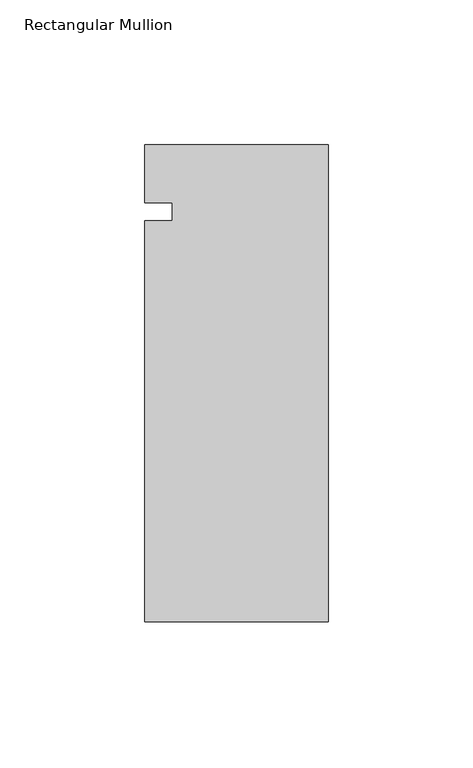
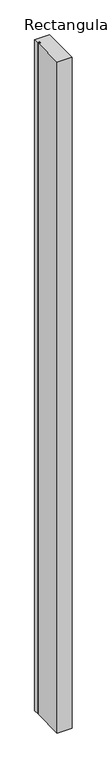
"""IFC4 building model written with IfcOpenShell, lengths in millimetres: member geometry, Rectangular Mullion."""

from ifc_helpers import new_model, si_unit, frame, origin, place, context, project, spatial, polyline, outline, extrude, source, transform, mapped, element, save


def rectangular_mullion_ffeda506(model_context):
    return source(origin(), model_context, "Body", "SweptSolid", [
        extrude(outline(polyline([(-63.5, 20.0421875), (0.0, 20.0421875), (0.0, -145.0578125), (-63.5, -145.0578125), (-63.5, -6.35), (-53.975, -6.35), (-53.975, 0.0), (-63.5, 0.0), (-63.5, 20.0421875)])), frame((0.0, 0.0, -2997.2), z_axis=(0.0, 0.0, 1.0), x_axis=(1.0, 0.0, 0.0)), (0.0, 0.0, 1.0), 2997.2),
    ])


if __name__ == "__main__":
    model = new_model("IFC4")
    model_context = context("Model", 3, world=origin())
    ifc_project = project(units=[si_unit("LENGTHUNIT", "METRE", prefix="MILLI")], contexts=[model_context])
    site = spatial("IfcSite", under=ifc_project)
    building = spatial("IfcBuilding", under=site)
    placement = place(None, origin())
    rectangular_mullion_shape = rectangular_mullion_ffeda506(model_context)
    element("IfcMember", 1, ObjectType="Rectangular Mullion", at=placement, inside=building, context=model_context, shape_type="MappedRepresentation", body=[
        mapped(rectangular_mullion_shape, transform((0.0, 0.0, 0.0), x_axis=(1.0, 0.0, 0.0), y_axis=(0.0, 1.0, 0.0), z_axis=(0.0, 0.0, 1.0))),
    ])
    save(model, "model.ifc")
